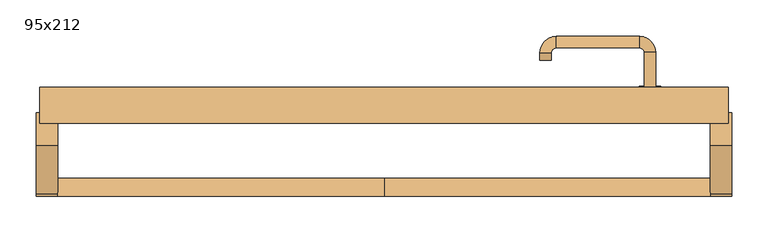
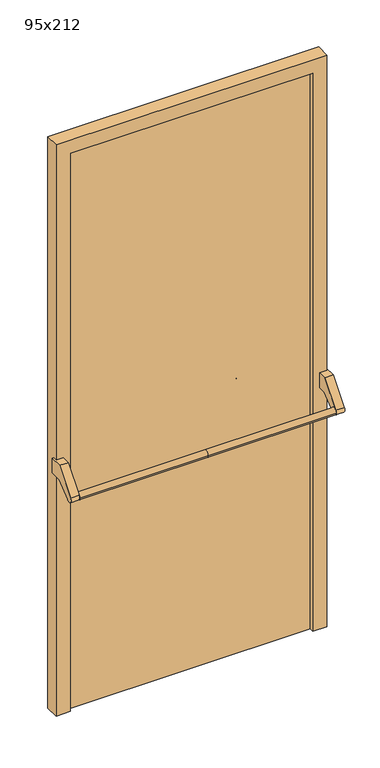
"""IFC4 building model written with IfcOpenShell, lengths in millimetres: door geometry, 95x212."""

import ifcopenshell
import ifcopenshell.guid

model = None  # the IFC model being written
_history = None  # IfcOwnerHistory: only IFC2X3 demands one
_inside = {}  # id of a spatial element -> (the spatial element, [elements in it])
_under = {}  # id of a project, library or spatial element -> (it, [spatial elements below it])
_declared = {}  # id of a project -> (the project, [libraries it declares])
_typed = {}  # id of a type object -> (the type object, [elements of that type])
_made_of = {}  # id of a material, layer set ... -> (it, [elements and type objects made of it])


def new_model(schema):
    """Start an empty IFC model of exactly this schema.

    Asked for "IFC4X3", IfcOpenShell would pick the latest addendum, in which some entities
    have other attributes; the version numbers below select the first issue.
    IFC2X3 requires an IfcOwnerHistory on every rooted entity: one is made here for all.
    """
    global model, _history
    if schema == "IFC4X3":
        model = ifcopenshell.file(schema_version=(4, 3, 0, 0))
    else:
        model = ifcopenshell.file(schema=schema)
    _inside.clear()
    _under.clear()
    _declared.clear()
    _typed.clear()
    _made_of.clear()
    _history = None
    if model.schema == "IFC2X3":
        org = make("IfcOrganization", Name="unknown")
        user = make(
            "IfcPersonAndOrganization",
            ThePerson=make("IfcPerson", FamilyName="unknown"),
            TheOrganization=org,
        )
        app = make(
            "IfcApplication",
            ApplicationDeveloper=org,
            Version="unknown",
            ApplicationFullName="unknown",
            ApplicationIdentifier="unknown",
        )
        _history = make(
            "IfcOwnerHistory",
            OwningUser=user,
            OwningApplication=app,
            ChangeAction="ADDED",
            CreationDate=0,
        )
    return model


def make(cls, **values):
    """One entity of the class cls with the attributes given. An attribute that is None is left unset."""
    return model.create_entity(
        cls, **{name: value for name, value in values.items() if value is not None}
    )


def rooted(cls, **values):
    """An entity with a GlobalId (a new one), such as an element, a storey or a relation."""
    return make(cls, GlobalId=ifcopenshell.guid.new(), OwnerHistory=_history, **values)


def si_unit(unit_type, name, prefix=None):
    """IfcSIUnit, for example si_unit("LENGTHUNIT", "METRE", prefix="MILLI")."""
    return make("IfcSIUnit", UnitType=unit_type, Prefix=prefix, Name=name)


def assignment(units):
    """IfcUnitAssignment: the units of a project."""
    return None if units is None else make("IfcUnitAssignment", Units=units)


def point(xyz):
    """IfcCartesianPoint."""
    return None if xyz is None else make("IfcCartesianPoint", Coordinates=xyz)


def direction(xyz):
    """IfcDirection."""
    return None if xyz is None else make("IfcDirection", DirectionRatios=xyz)


def frame(location, z_axis=None, x_axis=None):
    """IfcAxis2Placement3D, a coordinate frame: its origin and axes. An axis left out is left unset."""
    return make(
        "IfcAxis2Placement3D",
        Location=point(location),
        Axis=direction(z_axis),
        RefDirection=direction(x_axis),
    )


def frame_2d(location, x_axis=None):
    """IfcAxis2Placement2D, a coordinate frame in the plane: its origin and x axis."""
    return make(
        "IfcAxis2Placement2D", Location=point(location), RefDirection=direction(x_axis)
    )


def origin():
    """The frame at (0, 0, 0) with its axes left unset."""
    return frame((0.0, 0.0, 0.0))


def origin_with_axes():
    """The frame at (0, 0, 0) with the z axis (0, 0, 1) and the x axis (1, 0, 0) written out."""
    return frame((0.0, 0.0, 0.0), z_axis=(0.0, 0.0, 1.0), x_axis=(1.0, 0.0, 0.0))


def place(relative_to, where):
    """IfcLocalPlacement: puts the frame where relative to a parent placement (None: the world)."""
    return make(
        "IfcLocalPlacement", PlacementRelTo=relative_to, RelativePlacement=where
    )


def context(
    kind, dimensions, precision=None, world=None, true_north=None, identifier=None
):
    """IfcGeometricRepresentationContext, for example the 3D "Model" context."""
    return make(
        "IfcGeometricRepresentationContext",
        ContextIdentifier=identifier,
        ContextType=kind,
        CoordinateSpaceDimension=dimensions,
        Precision=precision,
        WorldCoordinateSystem=world,
        TrueNorth=true_north,
    )


def project(units=None, contexts=None):
    """IfcProject with its units and contexts."""
    return rooted(
        "IfcProject",
        Name="project",
        RepresentationContexts=contexts,
        UnitsInContext=assignment(units),
    )


def spatial(cls, under=None, at=None, **own):
    """A site, building, storey or space (cls), placed at a placement, below another one or the project."""
    s = rooted(cls, ObjectPlacement=at, **own)
    if under is not None:
        _under.setdefault(under.id(), (under, []))[1].append(s)
    return s


def polyline(points):
    """IfcPolyline through the points."""
    return make("IfcPolyline", Points=[point(p) for p in points])


def circle_curve(where, radius):
    """IfcCircle in the frame where."""
    return make("IfcCircle", Position=where, Radius=radius)


def ellipse_curve(where, semi_axis1, semi_axis2):
    """IfcEllipse in the frame where."""
    return make(
        "IfcEllipse", Position=where, SemiAxis1=semi_axis1, SemiAxis2=semi_axis2
    )


def trimmed(basis, trim1, trim2, sense, master):
    """IfcTrimmedCurve: the piece of a basis curve between two trims."""
    return make(
        "IfcTrimmedCurve",
        BasisCurve=basis,
        Trim1=trim1,
        Trim2=trim2,
        SenseAgreement=sense,
        MasterRepresentation=master,
    )


def segment(curve, same_sense, transition):
    """IfcCompositeCurveSegment."""
    return make(
        "IfcCompositeCurveSegment",
        Transition=transition,
        SameSense=same_sense,
        ParentCurve=curve,
    )


def composite_curve(segments, self_intersect=None):
    """IfcCompositeCurve: segments joined end to end."""
    return make("IfcCompositeCurve", Segments=segments, SelfIntersect=self_intersect)


def outline(outer, holes=None, kind="AREA"):
    """IfcArbitraryClosedProfileDef: a profile drawn as a closed curve; with holes, ...WithVoids."""
    if holes is None:
        return make("IfcArbitraryClosedProfileDef", ProfileType=kind, OuterCurve=outer)
    return make(
        "IfcArbitraryProfileDefWithVoids",
        ProfileType=kind,
        OuterCurve=outer,
        InnerCurves=holes,
    )


def extrude(swept, where, along, depth):
    """IfcExtrudedAreaSolid: the profile swept, set in the frame where, extruded along a direction by depth."""
    return make(
        "IfcExtrudedAreaSolid",
        SweptArea=swept,
        Position=where,
        ExtrudedDirection=direction(along),
        Depth=depth,
    )


def shape(context_of_items, identifier, shape_type, items):
    """IfcShapeRepresentation: the items that make up one representation, for example the "Body"."""
    return make(
        "IfcShapeRepresentation",
        ContextOfItems=context_of_items,
        RepresentationIdentifier=identifier,
        RepresentationType=shape_type,
        Items=items,
    )


def source(mapping_origin, context_of_items, identifier, shape_type, items):
    """IfcRepresentationMap: a shape defined once, which mapped items show again and again."""
    return make(
        "IfcRepresentationMap",
        MappingOrigin=mapping_origin,
        MappedRepresentation=shape(context_of_items, identifier, shape_type, items),
    )


def transform(
    local_origin,
    x_axis=None,
    y_axis=None,
    z_axis=None,
    scale=None,
    scale2=None,
    scale3=None,
    uniform=True,
):
    """IfcCartesianTransformationOperator3D, or its non-uniform kind. x_axis, y_axis, z_axis: its Axis1, 2, 3."""
    if uniform:
        return make(
            "IfcCartesianTransformationOperator3D",
            Axis1=direction(x_axis),
            Axis2=direction(y_axis),
            LocalOrigin=point(local_origin),
            Scale=scale,
            Axis3=direction(z_axis),
        )
    return make(
        "IfcCartesianTransformationOperator3DnonUniform",
        Axis1=direction(x_axis),
        Axis2=direction(y_axis),
        LocalOrigin=point(local_origin),
        Scale=scale,
        Axis3=direction(z_axis),
        Scale2=scale2,
        Scale3=scale3,
    )


def mapped(mapping_source, mapping_target):
    """IfcMappedItem: shows the shape of a source again, moved by a transform."""
    return make(
        "IfcMappedItem", MappingSource=mapping_source, MappingTarget=mapping_target
    )


def made_of(thing, what):
    """Note that an element or type object is made of a material, layer set ...; save() writes the relation."""
    if what is not None:
        _made_of.setdefault(what.id(), (what, []))[1].append(thing)
    return thing


def element(
    cls,
    number,
    at=None,
    inside=None,
    cuts=None,
    type_object=None,
    material=None,
    context=None,
    identifier="Body",
    shape_type=None,
    held_by="IfcProductDefinitionShape",
    body=None,
    shapes=None,
    **own,
):
    """One element of the class cls, such as IfcWall. Its Tag is "e" and its number.

    at: its placement. inside: the storey or other place that contains it. cuts: it is an
    opening in that element (IfcRelVoidsElement). A single representation is given by context,
    identifier, shape_type and body (its items); several are given by shapes. held_by: the class
    of the entity that holds the representations. save() writes the other relations.
    """
    e = rooted(cls, Tag="e%d" % number, ObjectPlacement=at, **own)
    if body is not None:
        shapes = [shape(context, identifier, shape_type, body)]
    if shapes is not None:
        e.Representation = make(held_by, Representations=shapes)
    if inside is not None:
        _inside.setdefault(inside.id(), (inside, []))[1].append(e)
    if cuts is not None:
        rooted(
            "IfcRelVoidsElement", RelatingBuildingElement=cuts, RelatedOpeningElement=e
        )
    if type_object is not None:
        _typed.setdefault(type_object.id(), (type_object, []))[1].append(e)
    return made_of(e, material)


def aggregate(whole, parts):
    """IfcRelAggregates: a whole, such as a stair, and the parts it consists of."""
    return rooted("IfcRelAggregates", RelatingObject=whole, RelatedObjects=parts)


def save(model, path):
    """Write the relations noted so far, then the file.

    IfcRelAggregates (storeys below a building ...), IfcRelContainedInSpatialStructure (elements
    in a storey), IfcRelDefinesByType, IfcRelAssociatesMaterial and IfcRelDeclares: one each for
    every whole, place, type object, material and project.
    """
    for whole, parts in _under.values():
        aggregate(whole, parts)
    for where, things in _inside.values():
        rooted(
            "IfcRelContainedInSpatialStructure",
            RelatedElements=things,
            RelatingStructure=where,
        )
    for kind, things in _typed.values():
        rooted("IfcRelDefinesByType", RelatedObjects=things, RelatingType=kind)
    for what, things in _made_of.values():
        rooted("IfcRelAssociatesMaterial", RelatedObjects=things, RelatingMaterial=what)
    for by, libraries in _declared.values():
        rooted("IfcRelDeclares", RelatingContext=by, RelatedDefinitions=libraries)
    model.write(path)


def plane_surface(at):
    """IfcPlane: the flat surface through the origin of the frame at, square to its z axis."""
    return make("IfcPlane", Position=at)


def cylinder_surface(at, radius):
    """IfcCylindricalSurface: all points at the distance radius from the z axis of the frame at."""
    return make("IfcCylindricalSurface", Position=at, Radius=radius)


def revolved_surface(curve, axis_point, axis_direction):
    """IfcSurfaceOfRevolution: the curve turned about the line through axis_point along axis_direction."""
    return make(
        "IfcSurfaceOfRevolution",
        SweptCurve=make("IfcArbitraryOpenProfileDef", ProfileType="CURVE", Curve=curve),
        AxisPosition=make("IfcAxis1Placement", Location=point(axis_point), Axis=direction(axis_direction)),
    )


def advanced_brep(points, edges, surfaces, faces):
    """IfcAdvancedBrep: a solid bounded by faces that lie on surfaces and meet in shared edges.

    An edge is (start, end): straight between two places in points (the first is 0);
    or (start, end, curve); or (start, end, curve, False) where it runs against its curve.
    A face is (place in surfaces, loops), or (place, loops, False) where it looks against
    its surface's normal. A loop lists edges by number (the first is 1), with a minus sign
    where the edge is run from its end to its start. The first loop is the outer one.
    """
    corners = [point(p) for p in points]
    vertices = [make("IfcVertexPoint", VertexGeometry=c) for c in corners]
    made = []
    for start, end, *more in edges:
        made.append(
            make(
                "IfcEdgeCurve",
                EdgeStart=vertices[start],
                EdgeEnd=vertices[end],
                EdgeGeometry=more[0] if more else make("IfcPolyline", Points=[corners[start], corners[end]]),
                SameSense=more[1] if len(more) > 1 else True,
            )
        )
    hull = []
    for where, loops, *sense in faces:
        bounds = []
        for j, loop in enumerate(loops):
            ring = [make("IfcOrientedEdge", EdgeElement=made[abs(k) - 1], Orientation=k > 0) for k in loop]
            bounds.append(
                make(
                    "IfcFaceOuterBound" if j == 0 else "IfcFaceBound",
                    Bound=make("IfcEdgeLoop", EdgeList=ring),
                    Orientation=True,
                )
            )
        hull.append(make("IfcAdvancedFace", Bounds=bounds, FaceSurface=surfaces[where], SameSense=sense[0] if sense else True))
    return make("IfcAdvancedBrep", Outer=make("IfcClosedShell", CfsFaces=hull))


def door_95x212_c68cfdb1(model_context):
    return source(origin(), model_context, "Body", "SolidModel", [
        advanced_brep(
        [(-450.0, -50.4171435, 861.5304884), (-450.0, -75.4171435, 861.5304884), (0.0, -50.4171435, 861.5304884), (0.0, -75.4171435, 861.5304884), (450.0, -50.4171435, 861.5304884), (450.0, -75.4171435, 861.5304884)],
        [
            (0, 1, circle_curve(frame((-450.0, -62.9171435, 861.5304884), z_axis=(-1.0, 0.0, 0.0), x_axis=(0.0, -1.0, 0.0)), 12.5)),
            (1, 0, circle_curve(frame((-450.0, -62.9171435, 861.5304884), z_axis=(-1.0, 0.0, 0.0), x_axis=(0.0, -1.0, 0.0)), 12.5)),
            (0, 2),
            (2, 3, circle_curve(frame((0.0, -62.9171435, 861.5304884), z_axis=(-1.0, 0.0, 0.0), x_axis=(0.0, -1.0, 0.0)), 12.5)),
            (3, 1),
            (3, 2, circle_curve(frame((0.0, -62.9171435, 861.5304884), z_axis=(-1.0, 0.0, 0.0), x_axis=(0.0, -1.0, 0.0)), 12.5)),
            (4, 5, circle_curve(frame((450.0, -62.9171435, 861.5304884), z_axis=(1.0, 0.0, 0.0), x_axis=(0.0, -1.0, 0.0)), 12.5)),
            (5, 4, circle_curve(frame((450.0, -62.9171435, 861.5304884), z_axis=(1.0, 0.0, 0.0), x_axis=(0.0, -1.0, 0.0)), 12.5)),
            (5, 3),
            (2, 4),
        ],
        [
            plane_surface(frame((-450.0, -75.4171435, 861.5304884), z_axis=(-1.0, 0.0, 0.0), x_axis=(0.0, 0.0, -1.0))),
            cylinder_surface(frame((-450.0, -62.9171435, 861.5304884), z_axis=(1.0, 0.0, 0.0), x_axis=(0.0, -1.0, 0.0)), 12.5),
            plane_surface(frame((450.0, -75.4171435, 861.5304884), z_axis=(1.0, 0.0, 0.0), x_axis=(0.0, 0.0, 1.0))),
            cylinder_surface(frame((0.0, -62.9171435, 861.5304884), z_axis=(1.0, 0.0, 0.0), x_axis=(0.0, -1.0, 0.0)), 12.5),
        ],
        [
            (0, [[1, 2]]),
            (1, [[3, 4, 5, -1]]),
            (1, [[-5, 6, -3, -2]]),
            (2, [[7, 8]]),
            (3, [[9, -4, 10, -8]]),
            (3, [[-10, -6, -9, -7]]),
        ],
    ),
        extrude(outline(composite_curve([segment(polyline([(-5.0, 950.0), (40.0, 950.0), (40.0, 895.2768379), (-3.5486991, 895.2768379), (-53.3415879, 853.4956432)]), True, "CONTINUOUS"), segment(trimmed(circle_curve(frame_2d((-62.9171435, 861.5304884)), 12.5), [point((-53.3415879, 853.4956432))], [point((-72.492699, 869.5653335))], False, "CARTESIAN"), True, "CONTINUOUS"), segment(polyline([(-72.492699, 869.5653335), (-5.0, 950.0)]), True, "CONTINUOUS")], self_intersect=False)), frame((-480.0, 0.0, 0.0), z_axis=(1.0, 0.0, 0.0), x_axis=(0.0, 1.0, 0.0)), (0.0, 0.0, 1.0), 30.0),
        extrude(outline(composite_curve([segment(polyline([(-5.0, 950.0), (40.0, 950.0), (40.0, 895.2768379), (-3.5486991, 895.2768379), (-53.3415879, 853.4956432)]), True, "CONTINUOUS"), segment(trimmed(circle_curve(frame_2d((-62.9171435, 861.5304884)), 12.5), [point((-53.3415879, 853.4956432))], [point((-72.492699, 869.5653335))], False, "CARTESIAN"), True, "CONTINUOUS"), segment(polyline([(-72.492699, 869.5653335), (-5.0, 950.0)]), True, "CONTINUOUS")], self_intersect=False)), frame((450.0, 0.0, 0.0), z_axis=(1.0, 0.0, 0.0), x_axis=(0.0, 1.0, 0.0)), (0.0, 0.0, 1.0), 30.0),
        extrude(outline(composite_curve([segment(trimmed(circle_curve(frame_2d((0.0, -15.0)), 15.0), [point((0.0, -30.0))], [point((0.0, 0.0))], False, "CARTESIAN"), True, "CONTINUOUS"), segment(trimmed(circle_curve(frame_2d((0.0, -15.0)), 15.0), [point((0.0, 0.0))], [point((0.0, -30.0))], False, "CARTESIAN"), True, "CONTINUOUS")], self_intersect=False), holes=[composite_curve([segment(trimmed(circle_curve(frame_2d((4.7772515, -14.9398032)), 2.0), [point((4.7772515, -16.9398032))], [point((4.7772515, -12.9398032))], True, "CARTESIAN"), True, "CONTINUOUS"), segment(polyline([(4.7772515, -12.9398032), (-5.2227485, -12.9398032)]), True, "CONTINUOUS"), segment(trimmed(circle_curve(frame_2d((-5.2227485, -14.9398032)), 2.0), [point((-5.2227485, -12.9398032))], [point((-5.2227485, -16.9398032))], True, "CARTESIAN"), True, "CONTINUOUS"), segment(polyline([(-5.2227485, -16.9398032), (4.7772515, -16.9398032)]), True, "CONTINUOUS")], self_intersect=False)]), frame((352.0, 70.0, 897.3605726), z_axis=(1.8870575173328306e-12, 1.0, 0.0), x_axis=(0.0, 0.0, -1.0)), (0.0, 0.0, 1.0), 6.35),
        extrude(outline(composite_curve([segment(trimmed(circle_curve(frame_2d((0.0, -17.526)), 17.526), [point((0.0, -35.052))], [point((0.0, 0.0))], False, "CARTESIAN"), True, "CONTINUOUS"), segment(trimmed(circle_curve(frame_2d((0.0, -17.526)), 17.526), [point((0.0, 0.0))], [point((0.0, -35.052))], False, "CARTESIAN"), True, "CONTINUOUS")], self_intersect=False)), frame((349.474, 70.0, 950.0), z_axis=(1.8870575173328306e-12, 1.0, 0.0), x_axis=(0.0, 0.0, -1.0)), (0.0, 0.0, 1.0), 3.175),
        advanced_brep(
        [(375.0, 70.0, 950.0), (359.0, 70.0, 950.0), (375.0, 123.0, 950.0), (359.0, 123.0, 950.0), (352.8578644, 129.1421356, 950.0), (352.8578644, 145.1421356, 950.0), (237.8578644, 145.1421356, 950.0), (237.8578644, 129.1421356, 950.0), (231.008622, 122.2928932, 950.0), (215.008622, 122.2928932, 950.0), (215.008622, 112.2928932, 950.0), (231.008622, 112.2928932, 950.0)],
        [
            (0, 1, circle_curve(frame((367.0, 70.0, 950.0), z_axis=(-1.888672253512351e-12, -1.0, 0.0), x_axis=(-1.0, 1.888672253512351e-12, 0.0)), 8.0)),
            (1, 0, circle_curve(frame((367.0, 70.0, 950.0), z_axis=(-1.888672253512351e-12, -1.0, 0.0), x_axis=(-1.0, 1.888672253512351e-12, 0.0)), 8.0)),
            (0, 2),
            (2, 3, circle_curve(frame((367.0, 123.0, 950.0), z_axis=(-1.888672253512351e-12, -1.0, 0.0), x_axis=(-1.0, 1.888672253512351e-12, 0.0)), 8.0)),
            (3, 1),
            (3, 2, circle_curve(frame((367.0, 123.0, 950.0), z_axis=(-1.888672253512351e-12, -1.0, 0.0), x_axis=(-1.0, 1.888672253512351e-12, 0.0)), 8.0)),
            (4, 3, circle_curve(frame((352.8578644, 123.0, 950.0), z_axis=(0.0, 0.0, -1.0), x_axis=(1.0, -1.880717803715015e-12, 0.0)), 6.1421356)),
            (2, 5, circle_curve(frame((352.8578644, 123.0, 950.0), z_axis=(0.0, 0.0, 1.0), x_axis=(1.0, -1.880717803715015e-12, 0.0)), 22.1421356)),
            (5, 4, circle_curve(frame((352.8578644, 137.1421356, 950.0), z_axis=(1.0, -1.913702061528922e-12, 0.0), x_axis=(-1.913702061528922e-12, -1.0, 0.0)), 8.0)),
            (4, 5, circle_curve(frame((352.8578644, 137.1421356, 950.0), z_axis=(1.0, -1.913702061528922e-12, 0.0), x_axis=(-1.913702061528922e-12, -1.0, 0.0)), 8.0)),
            (5, 6),
            (6, 7, circle_curve(frame((237.8578644, 137.1421356, 950.0), z_axis=(1.0, -1.913719828541269e-12, 0.0), x_axis=(-1.913719828541269e-12, -1.0, 0.0)), 8.0)),
            (7, 4),
            (7, 6, circle_curve(frame((237.8578644, 137.1421356, 950.0), z_axis=(1.0, -1.913719828541269e-12, 0.0), x_axis=(-1.913719828541269e-12, -1.0, 0.0)), 8.0)),
            (8, 7, circle_curve(frame((237.8578644, 122.2928932, 950.0), z_axis=(0.0, 0.0, -1.0), x_axis=(1.9120873253494017e-12, 1.0, 0.0)), 6.8492424)),
            (6, 9, circle_curve(frame((237.8578644, 122.2928932, 950.0), z_axis=(0.0, 0.0, 1.0), x_axis=(1.9120873253494017e-12, 1.0, 0.0)), 22.8492424)),
            (9, 8, circle_curve(frame((223.008622, 122.2928932, 950.0), z_axis=(1.890670654956676e-12, 1.0, 0.0), x_axis=(1.0, -1.890670654956676e-12, 0.0)), 8.0)),
            (8, 9, circle_curve(frame((223.008622, 122.2928932, 950.0), z_axis=(1.890226565746826e-12, 1.0, 0.0), x_axis=(1.0, -1.890226565746826e-12, 0.0)), 8.0)),
            (10, 11, circle_curve(frame((223.008622, 112.2928932, 950.0), z_axis=(-1.8903642334018795e-12, -1.0, 0.0), x_axis=(1.0, -1.8903642334018795e-12, 0.0)), 8.0)),
            (11, 10, circle_curve(frame((223.008622, 112.2928932, 950.0), z_axis=(-1.8903642334018795e-12, -1.0, 0.0), x_axis=(1.0, -1.8903642334018795e-12, 0.0)), 8.0)),
            (9, 10),
            (11, 8),
        ],
        [
            plane_surface(frame((367.0, 70.0, 170.0), z_axis=(-1.8870575173328306e-12, -1.0, 0.0), x_axis=(0.0, 0.0, 1.0))),
            cylinder_surface(frame((367.0, 70.0, 950.0), z_axis=(-1.888672253512351e-12, -1.0, 0.0), x_axis=(-1.0, 1.888672253512351e-12, 0.0)), 8.0),
            revolved_surface(trimmed(ellipse_curve(frame((367.0, 123.0, 950.0), z_axis=(-1.8823325398945356e-12, -1.0, 0.0), x_axis=(-1.0, 1.8823325398945356e-12, 0.0)), 8.0, 8.0), [point((375.0, 123.0, 950.0))], [point((359.0, 123.0, 950.0))], True, "CARTESIAN"), (352.8578644, 123.0, 170.0), (0.0, 0.0, 1.0)),
            revolved_surface(trimmed(ellipse_curve(frame((367.0, 123.0, 950.0), z_axis=(-1.8823325398945356e-12, -1.0, 0.0), x_axis=(-1.0, 1.8823325398945356e-12, 0.0)), 8.0, 8.0), [point((359.0, 123.0, 950.0))], [point((375.0, 123.0, 950.0))], True, "CARTESIAN"), (352.8578644, 123.0, 170.0), (0.0, 0.0, 1.0)),
            cylinder_surface(frame((352.8578644, 137.1421356, 950.0), z_axis=(1.0, -1.913719828541269e-12, 0.0), x_axis=(-1.913719828541269e-12, -1.0, 0.0)), 8.0),
            revolved_surface(trimmed(ellipse_curve(frame((237.8578644, 137.1421356, 950.0), z_axis=(1.0, -1.913702061528922e-12, 0.0), x_axis=(-1.913702061528922e-12, -1.0, 0.0)), 8.0, 8.0), [point((237.8578644, 145.1421356, 950.0))], [point((237.8578644, 129.1421356, 950.0))], True, "CARTESIAN"), (237.8578644, 122.2928932, 170.0), (0.0, 0.0, 1.0)),
            revolved_surface(trimmed(ellipse_curve(frame((237.8578644, 137.1421356, 950.0), z_axis=(1.0, -1.913702061528922e-12, 0.0), x_axis=(-1.913702061528922e-12, -1.0, 0.0)), 8.0, 8.0), [point((237.8578644, 129.1421356, 950.0))], [point((237.8578644, 145.1421356, 950.0))], True, "CARTESIAN"), (237.8578644, 122.2928932, 170.0), (0.0, 0.0, 1.0)),
            plane_surface(frame((223.008622, 112.2928932, 170.0), z_axis=(-1.8887494972223595e-12, -1.0, 0.0), x_axis=(0.0, 0.0, 1.0))),
            cylinder_surface(frame((223.008622, 122.2928932, 950.0), z_axis=(1.8903642334018795e-12, 1.0, 0.0), x_axis=(1.0, -1.8903642334018795e-12, 0.0)), 8.0),
        ],
        [
            (0, [[1, 2]]),
            (1, [[-1, 3, 4, 5]]),
            (1, [[-2, -5, 6, -3]]),
            (2, [[7, -4, 8, 9]]),
            (3, [[-8, -6, -7, 10]]),
            (4, [[-9, 11, 12, 13]]),
            (4, [[-10, -13, 14, -11]]),
            (5, [[15, -12, 16, 17]]),
            (6, [[-16, -14, -15, 18]]),
            (7, [[19, 20]]),
            (8, [[-17, 21, -20, 22]]),
            (8, [[-18, -22, -19, -21]]),
        ],
    ),
        extrude(outline(polyline([(2070.0, 425.0), (0.0, 425.0), (0.0, 475.0), (2120.0, 475.0), (2120.0, -475.0), (0.0, -475.0), (0.0, -425.0), (2070.0, -425.0), (2070.0, 425.0)])), frame((0.0, 25.0, 0.0), z_axis=(0.0, 1.0, 0.0), x_axis=(0.0, 0.0, 1.0)), (0.0, 0.0, 1.0), 50.0),
        extrude(outline(polyline([(-425.0, 70.0), (425.0, 70.0), (425.0, 40.0), (-425.0, 40.0), (-425.0, 70.0)])), origin_with_axes(), (0.0, 0.0, 1.0), 2070.0),
    ])


if __name__ == "__main__":
    model = new_model("IFC4")
    model_context = context("Model", 3, world=origin())
    ifc_project = project(units=[si_unit("LENGTHUNIT", "METRE", prefix="MILLI")], contexts=[model_context])
    site = spatial("IfcSite", under=ifc_project)
    building = spatial("IfcBuilding", under=site)
    placement = place(None, origin())
    door_95x212_shape = door_95x212_c68cfdb1(model_context)
    element("IfcDoor", 1, ObjectType="95x212", at=placement, inside=building, context=model_context, shape_type="MappedRepresentation", body=[
        mapped(door_95x212_shape, transform((0.0, 0.0, 0.0), x_axis=(1.0, 0.0, 0.0), y_axis=(0.0, 1.0, 0.0), z_axis=(0.0, 0.0, 1.0))),
    ])
    save(model, "model.ifc")
